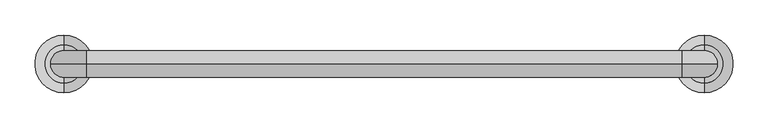
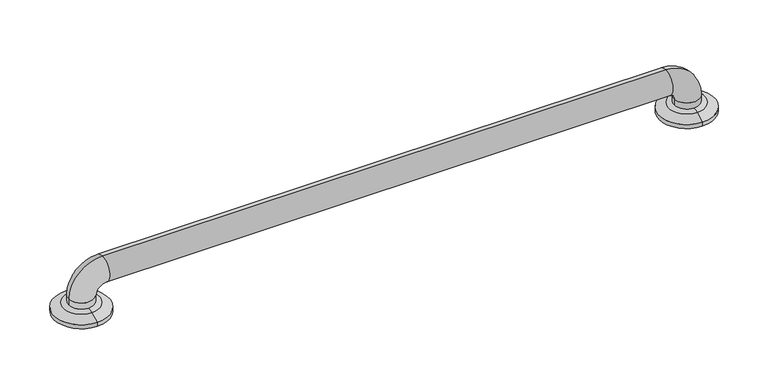
"""IFC4 building model written with IfcOpenShell, lengths in millimetres: proxy geometry."""

from ifc_helpers import new_model, si_unit, point, frame, origin, place, context, project, spatial, polyline, circle_curve, ellipse_curve, trimmed, source, transform, mapped, element, save
from ifc_brep_helpers import plane_surface, cylinder_surface, revolved_surface, advanced_brep


def specialty_equipment_fb3f449a(model_context):
    return source(origin(), model_context, "Body", "AdvancedBrep", [
        advanced_brep(
        [(-401.6375, -564.1630987, 13.1934507), (-401.6375, -508.9869013, 13.1934507), (-401.6375, -495.3, 6.35), (-401.6375, -577.85, 6.35), (-401.6375, -555.625, 15.7178454), (-420.6875, -536.575, 15.7178454), (-401.6375, -517.525, 15.7178454), (-382.5875, -536.575, 15.7178454), (-401.6375, -577.85, 0.0), (-401.6375, -495.3, 0.0), (-401.6375, -517.525, 0.0), (-401.6375, -536.575, 0.0), (-401.6375, -555.625, 0.0), (-420.6875, -536.575, 25.4), (-382.5875, -536.575, 25.4), (-369.8875, -536.575, 76.2), (-369.8875, -536.575, 38.1), (481.0125, -536.575, 76.2), (481.0125, -536.575, 38.1), (531.8125, -536.575, 25.4), (493.7125, -536.575, 25.4), (512.7625, -577.85, 0.0), (512.7625, -495.3, 0.0), (531.8125, -536.575, 15.7178454), (512.7625, -517.525, 15.7178454), (493.7125, -536.575, 15.7178454), (512.7625, -555.625, 15.7178454), (512.7625, -564.1630987, 13.1934507), (512.7625, -508.9869013, 13.1934507), (512.7625, -495.3, 6.35), (512.7625, -577.85, 6.35)],
        [
            (0, 1, circle_curve(frame((-401.6375, -536.575, 13.1934507), z_axis=(0.0, 0.0, -1.0), x_axis=(0.0, 1.0, 0.0)), 27.5880987)),
            (1, 2),
            (2, 3, circle_curve(frame((-401.6375, -536.575, 6.35), z_axis=(0.0, 0.0, 1.0), x_axis=(0.0, 1.0, 0.0)), 41.275)),
            (3, 0),
            (1, 0, circle_curve(frame((-401.6375, -536.575, 13.1934507), z_axis=(0.0, 0.0, -1.0), x_axis=(0.0, 1.0, 0.0)), 27.5880987)),
            (3, 2, circle_curve(frame((-401.6375, -536.575, 6.35), z_axis=(0.0, 0.0, 1.0), x_axis=(0.0, 1.0, 0.0)), 41.275)),
            (0, 4, circle_curve(frame((-401.6375, -552.8038734, -9.525), z_axis=(-1.0, 0.0, 0.0), x_axis=(0.0, 0.0, -1.0)), 25.4)),
            (4, 5, circle_curve(frame((-401.6375, -536.575, 15.7178454), z_axis=(0.0, 0.0, -1.0), x_axis=(0.0, 1.0, 0.0)), 19.05)),
            (5, 6, circle_curve(frame((-401.6375, -536.575, 15.7178454), z_axis=(0.0, 0.0, -1.0), x_axis=(0.0, 1.0, 0.0)), 19.05)),
            (6, 1, circle_curve(frame((-401.6375, -520.3461266, -9.525), z_axis=(-1.0, 0.0, 0.0), x_axis=(0.0, 0.0, -1.0)), 25.4)),
            (6, 7, circle_curve(frame((-401.6375, -536.575, 15.7178454), z_axis=(0.0, 0.0, -1.0), x_axis=(0.0, 1.0, 0.0)), 19.05)),
            (7, 4, circle_curve(frame((-401.6375, -536.575, 15.7178454), z_axis=(0.0, 0.0, -1.0), x_axis=(0.0, 1.0, 0.0)), 19.05)),
            (8, 9, circle_curve(frame((-401.6375, -536.575, 0.0), z_axis=(0.0, 0.0, -1.0), x_axis=(0.0, 1.0, 0.0)), 41.275)),
            (9, 10),
            (10, 11),
            (11, 12),
            (12, 8),
            (9, 8, circle_curve(frame((-401.6375, -536.575, 0.0), z_axis=(0.0, 0.0, -1.0), x_axis=(0.0, 1.0, 0.0)), 41.275)),
            (2, 9),
            (8, 3),
            (13, 14, circle_curve(frame((-401.6375, -536.575, 25.4), z_axis=(0.0, 0.0, -1.0), x_axis=(1.0, 0.0, 0.0)), 19.05)),
            (14, 7),
            (5, 13),
            (14, 13, circle_curve(frame((-401.6375, -536.575, 25.4), z_axis=(0.0, 0.0, -1.0), x_axis=(1.0, 0.0, 0.0)), 19.05)),
            (13, 15, circle_curve(frame((-369.8875, -536.575, 25.4), z_axis=(0.0, 1.0, 0.0), x_axis=(-1.0, 0.0, 0.0)), 50.8)),
            (15, 16, circle_curve(frame((-369.8875, -536.575, 57.15), z_axis=(-1.0, 0.0, 0.0), x_axis=(0.0, 0.0, -1.0)), 19.05)),
            (16, 14, circle_curve(frame((-369.8875, -536.575, 25.4), z_axis=(0.0, -1.0, 0.0), x_axis=(-1.0, 0.0, 0.0)), 12.7)),
            (16, 15, circle_curve(frame((-369.8875, -536.575, 57.15), z_axis=(-1.0, 0.0, 0.0), x_axis=(0.0, 0.0, -1.0)), 19.05)),
            (15, 17),
            (17, 18, circle_curve(frame((481.0125, -536.575, 57.15), z_axis=(-1.0, 0.0, 0.0), x_axis=(0.0, 0.0, -1.0)), 19.05)),
            (18, 16),
            (18, 17, circle_curve(frame((481.0125, -536.575, 57.15), z_axis=(-1.0, 0.0, 0.0), x_axis=(0.0, 0.0, -1.0)), 19.05)),
            (17, 19, circle_curve(frame((481.0125, -536.575, 25.4), z_axis=(0.0, 1.0, 0.0), x_axis=(0.0, 0.0, 1.0)), 50.8)),
            (19, 20, circle_curve(frame((512.7625, -536.575, 25.4), z_axis=(0.0, 0.0, 1.0), x_axis=(-1.0, 0.0, 0.0)), 19.05)),
            (20, 18, circle_curve(frame((481.0125, -536.575, 25.4), z_axis=(0.0, -1.0, 0.0), x_axis=(0.0, 0.0, 1.0)), 12.7)),
            (20, 19, circle_curve(frame((512.7625, -536.575, 25.4), z_axis=(0.0, 0.0, 1.0), x_axis=(-1.0, 0.0, 0.0)), 19.05)),
            (21, 22, circle_curve(frame((512.7625, -536.575, 0.0), z_axis=(0.0, 0.0, -1.0), x_axis=(0.0, 1.0, 0.0)), 41.275)),
            (22, 21, circle_curve(frame((512.7625, -536.575, 0.0), z_axis=(0.0, 0.0, -1.0), x_axis=(0.0, 1.0, 0.0)), 41.275)),
            (19, 23),
            (23, 24, circle_curve(frame((512.7625, -536.575, 15.7178454), z_axis=(0.0, 0.0, 1.0), x_axis=(-1.0, 0.0, 0.0)), 19.05)),
            (24, 25, circle_curve(frame((512.7625, -536.575, 15.7178454), z_axis=(0.0, 0.0, 1.0), x_axis=(-1.0, 0.0, 0.0)), 19.05)),
            (25, 20),
            (25, 26, circle_curve(frame((512.7625, -536.575, 15.7178454), z_axis=(0.0, 0.0, 1.0), x_axis=(-1.0, 0.0, 0.0)), 19.05)),
            (26, 23, circle_curve(frame((512.7625, -536.575, 15.7178454), z_axis=(0.0, 0.0, 1.0), x_axis=(-1.0, 0.0, 0.0)), 19.05)),
            (27, 28, circle_curve(frame((512.7625, -536.575, 13.1934507), z_axis=(0.0, 0.0, -1.0), x_axis=(0.0, 1.0, 0.0)), 27.5880987)),
            (28, 29),
            (29, 30, circle_curve(frame((512.7625, -536.575, 6.35), z_axis=(0.0, 0.0, 1.0), x_axis=(0.0, 1.0, 0.0)), 41.275)),
            (30, 27),
            (28, 27, circle_curve(frame((512.7625, -536.575, 13.1934507), z_axis=(0.0, 0.0, -1.0), x_axis=(0.0, 1.0, 0.0)), 27.5880987)),
            (30, 29, circle_curve(frame((512.7625, -536.575, 6.35), z_axis=(0.0, 0.0, 1.0), x_axis=(0.0, 1.0, 0.0)), 41.275)),
            (27, 26, circle_curve(frame((512.7625, -552.8038734, -9.525), z_axis=(-1.0, 0.0, 0.0), x_axis=(0.0, 0.0, -1.0)), 25.4)),
            (24, 28, circle_curve(frame((512.7625, -520.3461266, -9.525), z_axis=(-1.0, 0.0, 0.0), x_axis=(0.0, 0.0, -1.0)), 25.4)),
            (29, 22),
            (21, 30),
        ],
        [
            revolved_surface(polyline([(-401.6375, -495.3, 6.35), (-401.6375, -508.9869013, 13.1934507)]), (-401.6375, -536.575, 31.75), (0.0, 0.0, 1.0)),
            revolved_surface(trimmed(ellipse_curve(frame((-401.6375, -520.3461266, -9.525), z_axis=(1.0, 0.0, 0.0), x_axis=(0.0, 0.0, -1.0)), 25.4, 25.4), [point((-401.6375, -508.9869013, 13.1934507))], [point((-401.6375, -520.3461266, 15.875))], True, "CARTESIAN"), (-401.6375, -536.575, 31.75), (0.0, 0.0, 1.0)),
            plane_surface(frame((-401.6375, -536.575, 0.0), z_axis=(0.0, 0.0, -1.0), x_axis=(0.0, 1.0, 0.0))),
            cylinder_surface(frame((-401.6375, -536.575, 31.75), z_axis=(0.0, 0.0, 1.0), x_axis=(0.0, 1.0, 0.0)), 41.275),
            cylinder_surface(frame((-401.6375, -536.575, 0.0), z_axis=(0.0, 0.0, -1.0), x_axis=(1.0, 0.0, 0.0)), 19.05),
            revolved_surface(trimmed(ellipse_curve(frame((-401.6375, -536.575, 25.4), z_axis=(0.0, 0.0, -1.0), x_axis=(1.0, 0.0, 0.0)), 19.05, 19.05), [point((-420.6875, -536.575, 25.4))], [point((-382.5875, -536.575, 25.4))], True, "CARTESIAN"), (-369.8875, -536.575, 25.4), (0.0, 1.0, 0.0)),
            revolved_surface(trimmed(ellipse_curve(frame((-401.6375, -536.575, 25.4), z_axis=(0.0, 0.0, -1.0), x_axis=(1.0, 0.0, 0.0)), 19.05, 19.05), [point((-382.5875, -536.575, 25.4))], [point((-420.6875, -536.575, 25.4))], True, "CARTESIAN"), (-369.8875, -536.575, 25.4), (0.0, 1.0, 0.0)),
            cylinder_surface(frame((-369.8875, -536.575, 57.15), z_axis=(-1.0, 0.0, 0.0), x_axis=(0.0, 0.0, -1.0)), 19.05),
            revolved_surface(trimmed(ellipse_curve(frame((481.0125, -536.575, 57.15), z_axis=(-1.0, 0.0, 0.0), x_axis=(0.0, 0.0, -1.0)), 19.05, 19.05), [point((481.0125, -536.575, 76.2))], [point((481.0125, -536.575, 38.1))], True, "CARTESIAN"), (481.0125, -536.575, 25.4), (0.0, 1.0, 0.0)),
            revolved_surface(trimmed(ellipse_curve(frame((481.0125, -536.575, 57.15), z_axis=(-1.0, 0.0, 0.0), x_axis=(0.0, 0.0, -1.0)), 19.05, 19.05), [point((481.0125, -536.575, 38.1))], [point((481.0125, -536.575, 76.2))], True, "CARTESIAN"), (481.0125, -536.575, 25.4), (0.0, 1.0, 0.0)),
            plane_surface(frame((512.7625, -536.575, 0.0), z_axis=(0.0, 0.0, -1.0), x_axis=(0.0, 1.0, 0.0))),
            cylinder_surface(frame((512.7625, -536.575, 25.4), z_axis=(0.0, 0.0, 1.0), x_axis=(-1.0, 0.0, 0.0)), 19.05),
            revolved_surface(polyline([(512.7625, -495.3, 6.35), (512.7625, -508.9869013, 13.1934507)]), (512.7625, -536.575, -29.0642853), (0.0, 0.0, 1.0)),
            revolved_surface(trimmed(ellipse_curve(frame((512.7625, -520.3461266, -9.525), z_axis=(1.0, 0.0, 0.0), x_axis=(0.0, 0.0, -1.0)), 25.4, 25.4), [point((512.7625, -508.9869013, 13.1934507))], [point((512.7625, -520.3461266, 15.875))], True, "CARTESIAN"), (512.7625, -536.575, -29.0642853), (0.0, 0.0, 1.0)),
            cylinder_surface(frame((512.7625, -536.575, -29.0642853), z_axis=(0.0, 0.0, 1.0), x_axis=(0.0, 1.0, 0.0)), 41.275),
        ],
        [
            (0, [[1, 2, 3, 4]]),
            (0, [[-2, 5, -4, 6]]),
            (1, [[-1, 7, 8, 9, 10]]),
            (1, [[-5, -10, 11, 12, -7]]),
            (2, [[13, 14, 15, 16, 17]]),
            (2, [[18, -17, -16, -15, -14]]),
            (3, [[-3, 19, -13, 20]]),
            (3, [[-6, -20, -18, -19]]),
            (4, [[21, 22, -11, -9, 23]]),
            (4, [[24, -23, -8, -12, -22]]),
            (5, [[-21, 25, 26, 27]]),
            (6, [[-24, -27, 28, -25]]),
            (7, [[-26, 29, 30, 31]]),
            (7, [[-28, -31, 32, -29]]),
            (8, [[-30, 33, 34, 35]]),
            (9, [[-32, -35, 36, -33]]),
            (10, [[37, 38]]),
            (11, [[-34, 39, 40, 41, 42]]),
            (11, [[-36, -42, 43, 44, -39]]),
            (12, [[45, 46, 47, 48]]),
            (12, [[-46, 49, -48, 50]]),
            (13, [[-45, 51, -43, -41, 52]]),
            (13, [[-49, -52, -40, -44, -51]]),
            (14, [[-47, 53, -37, 54]]),
            (14, [[-50, -54, -38, -53]]),
        ],
    ),
    ])


if __name__ == "__main__":
    model = new_model("IFC4")
    model_context = context("Model", 3, world=origin())
    ifc_project = project(units=[si_unit("LENGTHUNIT", "METRE", prefix="MILLI")], contexts=[model_context])
    site = spatial("IfcSite", under=ifc_project)
    building = spatial("IfcBuilding", under=site)
    placement = place(None, origin())
    specialty_equipment_shape = specialty_equipment_fb3f449a(model_context)
    element("IfcBuildingElementProxy", 1, Name="Specialty Equipment", at=placement, inside=building, context=model_context, shape_type="MappedRepresentation", body=[
        mapped(specialty_equipment_shape, transform((0.0, 0.0, 0.0), x_axis=(1.0, 0.0, 0.0), y_axis=(0.0, 1.0, 0.0), z_axis=(0.0, 0.0, 1.0))),
    ])
    save(model, "model.ifc")
